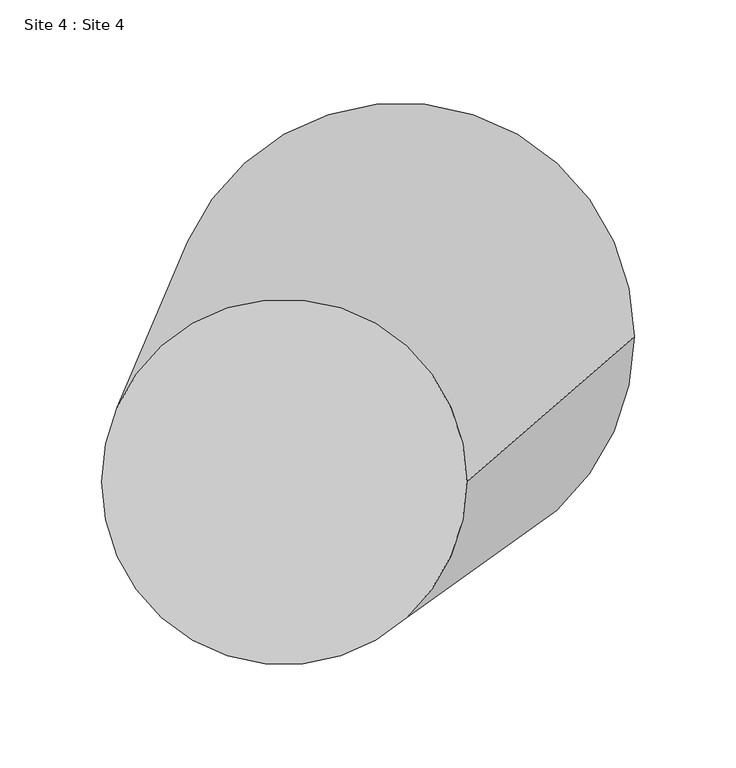
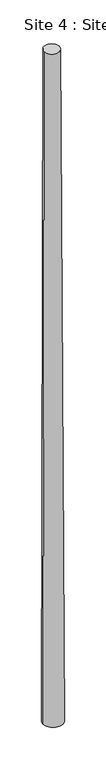
"""IFC4 building model written with IfcOpenShell, lengths in millimetres: geographic element geometry, Site 4 : Site 4."""

import ifcopenshell
import ifcopenshell.guid

model = None  # the IFC model being written
_history = None  # IfcOwnerHistory: only IFC2X3 demands one
_inside = {}  # id of a spatial element -> (the spatial element, [elements in it])
_under = {}  # id of a project, library or spatial element -> (it, [spatial elements below it])
_declared = {}  # id of a project -> (the project, [libraries it declares])
_typed = {}  # id of a type object -> (the type object, [elements of that type])
_made_of = {}  # id of a material, layer set ... -> (it, [elements and type objects made of it])


def new_model(schema):
    """Start an empty IFC model of exactly this schema.

    Asked for "IFC4X3", IfcOpenShell would pick the latest addendum, in which some entities
    have other attributes; the version numbers below select the first issue.
    IFC2X3 requires an IfcOwnerHistory on every rooted entity: one is made here for all.
    """
    global model, _history
    if schema == "IFC4X3":
        model = ifcopenshell.file(schema_version=(4, 3, 0, 0))
    else:
        model = ifcopenshell.file(schema=schema)
    _inside.clear()
    _under.clear()
    _declared.clear()
    _typed.clear()
    _made_of.clear()
    _history = None
    if model.schema == "IFC2X3":
        org = make("IfcOrganization", Name="unknown")
        user = make(
            "IfcPersonAndOrganization",
            ThePerson=make("IfcPerson", FamilyName="unknown"),
            TheOrganization=org,
        )
        app = make(
            "IfcApplication",
            ApplicationDeveloper=org,
            Version="unknown",
            ApplicationFullName="unknown",
            ApplicationIdentifier="unknown",
        )
        _history = make(
            "IfcOwnerHistory",
            OwningUser=user,
            OwningApplication=app,
            ChangeAction="ADDED",
            CreationDate=0,
        )
    return model


def make(cls, **values):
    """One entity of the class cls with the attributes given. An attribute that is None is left unset."""
    return model.create_entity(
        cls, **{name: value for name, value in values.items() if value is not None}
    )


def rooted(cls, **values):
    """An entity with a GlobalId (a new one), such as an element, a storey or a relation."""
    return make(cls, GlobalId=ifcopenshell.guid.new(), OwnerHistory=_history, **values)


def si_unit(unit_type, name, prefix=None):
    """IfcSIUnit, for example si_unit("LENGTHUNIT", "METRE", prefix="MILLI")."""
    return make("IfcSIUnit", UnitType=unit_type, Prefix=prefix, Name=name)


def assignment(units):
    """IfcUnitAssignment: the units of a project."""
    return None if units is None else make("IfcUnitAssignment", Units=units)


def point(xyz):
    """IfcCartesianPoint."""
    return None if xyz is None else make("IfcCartesianPoint", Coordinates=xyz)


def direction(xyz):
    """IfcDirection."""
    return None if xyz is None else make("IfcDirection", DirectionRatios=xyz)


def frame(location, z_axis=None, x_axis=None):
    """IfcAxis2Placement3D, a coordinate frame: its origin and axes. An axis left out is left unset."""
    return make(
        "IfcAxis2Placement3D",
        Location=point(location),
        Axis=direction(z_axis),
        RefDirection=direction(x_axis),
    )


def origin():
    """The frame at (0, 0, 0) with its axes left unset."""
    return frame((0.0, 0.0, 0.0))


def place(relative_to, where):
    """IfcLocalPlacement: puts the frame where relative to a parent placement (None: the world)."""
    return make(
        "IfcLocalPlacement", PlacementRelTo=relative_to, RelativePlacement=where
    )


def context(
    kind, dimensions, precision=None, world=None, true_north=None, identifier=None
):
    """IfcGeometricRepresentationContext, for example the 3D "Model" context."""
    return make(
        "IfcGeometricRepresentationContext",
        ContextIdentifier=identifier,
        ContextType=kind,
        CoordinateSpaceDimension=dimensions,
        Precision=precision,
        WorldCoordinateSystem=world,
        TrueNorth=true_north,
    )


def project(units=None, contexts=None):
    """IfcProject with its units and contexts."""
    return rooted(
        "IfcProject",
        Name="project",
        RepresentationContexts=contexts,
        UnitsInContext=assignment(units),
    )


def spatial(cls, under=None, at=None, **own):
    """A site, building, storey or space (cls), placed at a placement, below another one or the project."""
    s = rooted(cls, ObjectPlacement=at, **own)
    if under is not None:
        _under.setdefault(under.id(), (under, []))[1].append(s)
    return s


def circle_curve(where, radius):
    """IfcCircle in the frame where."""
    return make("IfcCircle", Position=where, Radius=radius)


def shape(context_of_items, identifier, shape_type, items):
    """IfcShapeRepresentation: the items that make up one representation, for example the "Body"."""
    return make(
        "IfcShapeRepresentation",
        ContextOfItems=context_of_items,
        RepresentationIdentifier=identifier,
        RepresentationType=shape_type,
        Items=items,
    )


def source(mapping_origin, context_of_items, identifier, shape_type, items):
    """IfcRepresentationMap: a shape defined once, which mapped items show again and again."""
    return make(
        "IfcRepresentationMap",
        MappingOrigin=mapping_origin,
        MappedRepresentation=shape(context_of_items, identifier, shape_type, items),
    )


def transform(
    local_origin,
    x_axis=None,
    y_axis=None,
    z_axis=None,
    scale=None,
    scale2=None,
    scale3=None,
    uniform=True,
):
    """IfcCartesianTransformationOperator3D, or its non-uniform kind. x_axis, y_axis, z_axis: its Axis1, 2, 3."""
    if uniform:
        return make(
            "IfcCartesianTransformationOperator3D",
            Axis1=direction(x_axis),
            Axis2=direction(y_axis),
            LocalOrigin=point(local_origin),
            Scale=scale,
            Axis3=direction(z_axis),
        )
    return make(
        "IfcCartesianTransformationOperator3DnonUniform",
        Axis1=direction(x_axis),
        Axis2=direction(y_axis),
        LocalOrigin=point(local_origin),
        Scale=scale,
        Axis3=direction(z_axis),
        Scale2=scale2,
        Scale3=scale3,
    )


def mapped(mapping_source, mapping_target):
    """IfcMappedItem: shows the shape of a source again, moved by a transform."""
    return make(
        "IfcMappedItem", MappingSource=mapping_source, MappingTarget=mapping_target
    )


def made_of(thing, what):
    """Note that an element or type object is made of a material, layer set ...; save() writes the relation."""
    if what is not None:
        _made_of.setdefault(what.id(), (what, []))[1].append(thing)
    return thing


def element(
    cls,
    number,
    at=None,
    inside=None,
    cuts=None,
    type_object=None,
    material=None,
    context=None,
    identifier="Body",
    shape_type=None,
    held_by="IfcProductDefinitionShape",
    body=None,
    shapes=None,
    **own,
):
    """One element of the class cls, such as IfcWall. Its Tag is "e" and its number.

    at: its placement. inside: the storey or other place that contains it. cuts: it is an
    opening in that element (IfcRelVoidsElement). A single representation is given by context,
    identifier, shape_type and body (its items); several are given by shapes. held_by: the class
    of the entity that holds the representations. save() writes the other relations.
    """
    e = rooted(cls, Tag="e%d" % number, ObjectPlacement=at, **own)
    if body is not None:
        shapes = [shape(context, identifier, shape_type, body)]
    if shapes is not None:
        e.Representation = make(held_by, Representations=shapes)
    if inside is not None:
        _inside.setdefault(inside.id(), (inside, []))[1].append(e)
    if cuts is not None:
        rooted(
            "IfcRelVoidsElement", RelatingBuildingElement=cuts, RelatedOpeningElement=e
        )
    if type_object is not None:
        _typed.setdefault(type_object.id(), (type_object, []))[1].append(e)
    return made_of(e, material)


def aggregate(whole, parts):
    """IfcRelAggregates: a whole, such as a stair, and the parts it consists of."""
    return rooted("IfcRelAggregates", RelatingObject=whole, RelatedObjects=parts)


def save(model, path):
    """Write the relations noted so far, then the file.

    IfcRelAggregates (storeys below a building ...), IfcRelContainedInSpatialStructure (elements
    in a storey), IfcRelDefinesByType, IfcRelAssociatesMaterial and IfcRelDeclares: one each for
    every whole, place, type object, material and project.
    """
    for whole, parts in _under.values():
        aggregate(whole, parts)
    for where, things in _inside.values():
        rooted(
            "IfcRelContainedInSpatialStructure",
            RelatedElements=things,
            RelatingStructure=where,
        )
    for kind, things in _typed.values():
        rooted("IfcRelDefinesByType", RelatedObjects=things, RelatingType=kind)
    for what, things in _made_of.values():
        rooted("IfcRelAssociatesMaterial", RelatedObjects=things, RelatingMaterial=what)
    for by, libraries in _declared.values():
        rooted("IfcRelDeclares", RelatingContext=by, RelatedDefinitions=libraries)
    model.write(path)


def plane_surface(at):
    """IfcPlane: the flat surface through the origin of the frame at, square to its z axis."""
    return make("IfcPlane", Position=at)


def spline_surface(u_degree, v_degree, points, u_multiplicities, v_multiplicities, u_knots, v_knots, weights=None):
    """IfcBSplineSurfaceWithKnots; with weights, IfcRationalBSplineSurfaceWithKnots. points: one row for each step in u."""
    own = dict(
        UDegree=u_degree,
        VDegree=v_degree,
        ControlPointsList=[[point(p) for p in row] for row in points],
        SurfaceForm="UNSPECIFIED",
        UClosed=False,
        VClosed=False,
        SelfIntersect=False,
        UMultiplicities=u_multiplicities,
        VMultiplicities=v_multiplicities,
        UKnots=u_knots,
        VKnots=v_knots,
        KnotSpec="UNSPECIFIED",
    )
    if weights is None:
        return make("IfcBSplineSurfaceWithKnots", **own)
    return make("IfcRationalBSplineSurfaceWithKnots", WeightsData=weights, **own)


def advanced_brep(points, edges, surfaces, faces):
    """IfcAdvancedBrep: a solid bounded by faces that lie on surfaces and meet in shared edges.

    An edge is (start, end): straight between two places in points (the first is 0);
    or (start, end, curve); or (start, end, curve, False) where it runs against its curve.
    A face is (place in surfaces, loops), or (place, loops, False) where it looks against
    its surface's normal. A loop lists edges by number (the first is 1), with a minus sign
    where the edge is run from its end to its start. The first loop is the outer one.
    """
    corners = [point(p) for p in points]
    vertices = [make("IfcVertexPoint", VertexGeometry=c) for c in corners]
    made = []
    for start, end, *more in edges:
        made.append(
            make(
                "IfcEdgeCurve",
                EdgeStart=vertices[start],
                EdgeEnd=vertices[end],
                EdgeGeometry=more[0] if more else make("IfcPolyline", Points=[corners[start], corners[end]]),
                SameSense=more[1] if len(more) > 1 else True,
            )
        )
    hull = []
    for where, loops, *sense in faces:
        bounds = []
        for j, loop in enumerate(loops):
            ring = [make("IfcOrientedEdge", EdgeElement=made[abs(k) - 1], Orientation=k > 0) for k in loop]
            bounds.append(
                make(
                    "IfcFaceOuterBound" if j == 0 else "IfcFaceBound",
                    Bound=make("IfcEdgeLoop", EdgeList=ring),
                    Orientation=True,
                )
            )
        hull.append(make("IfcAdvancedFace", Bounds=bounds, FaceSurface=surfaces[where], SameSense=sense[0] if sense else True))
    return make("IfcAdvancedBrep", Outer=make("IfcClosedShell", CfsFaces=hull))


def site_4_site_4_4ce63e9c(model_context):
    return source(origin(), model_context, "Body", "AdvancedBrep", [
        advanced_brep(
        [(-46253.4224673, 61787.417997, 115740.9466002), (-46073.4224673, 61787.417997, 115740.9466002), (-46220.9233294, 61860.2987581, 107389.4970278), (-45990.9233294, 61860.2987581, 107389.4970278)],
        [
            (0, 1, circle_curve(frame((-46163.4224673, 61787.417997, 115740.9466002), z_axis=(0.0, 0.0, 1.0), x_axis=(1.0, 0.0, 0.0)), 90.0)),
            (1, 0, circle_curve(frame((-46163.4224673, 61787.417997, 115740.9466002), z_axis=(0.0, 0.0, 1.0), x_axis=(1.0, 0.0, 0.0)), 90.0)),
            (2, 3, circle_curve(frame((-46105.9233294, 61860.2987581, 107389.4970278), z_axis=(0.0, 0.0, -1.0), x_axis=(1.0, 0.0, 0.0)), 115.0)),
            (3, 2, circle_curve(frame((-46105.9233294, 61860.2987581, 107389.4970278), z_axis=(0.0, 0.0, -1.0), x_axis=(1.0, 0.0, 0.0)), 115.0)),
            (3, 1),
            (0, 2),
        ],
        [
            plane_surface(frame((-46163.4224673, 61787.417997, 115740.9466002), z_axis=(0.0, 0.0, 1.0), x_axis=(0.0, -1.0, 0.0))),
            plane_surface(frame((-46105.9233294, 61860.2987581, 107389.4970278), z_axis=(0.0, 0.0, -1.0), x_axis=(0.0, -1.0, 0.0))),
            spline_surface(2, 1, [[(-46220.9233294, 61860.2987581, 107389.4970278), (-46253.4224673, 61787.417997, 115740.9466002)], [(-46220.9233294, 61745.2987581, 107389.4970278), (-46253.4224673, 61697.417997, 115740.9466002)], [(-46105.9233294, 61745.2987581, 107389.4970278), (-46163.4224673, 61697.417997, 115740.9466002)], [(-45990.9233294, 61745.2987581, 107389.4970278), (-46073.4224673, 61697.417997, 115740.9466002)], [(-45990.9233294, 61860.2987581, 107389.4970278), (-46073.4224673, 61787.417997, 115740.9466002)]], [3, 2, 3], [2, 2], [0.0, 1.0, 2.0], [0.0, 1.0], weights=[[1.0, 1.0], [0.7071067811865476, 0.7071067811865476], [1.0, 1.0], [0.7071067811865476, 0.7071067811865476], [1.0, 1.0]]),
            spline_surface(2, 1, [[(-45990.9233294, 61860.2987581, 107389.4970278), (-46073.4224673, 61787.417997, 115740.9466002)], [(-45990.9233294, 61975.2987581, 107389.4970278), (-46073.4224673, 61877.417997, 115740.9466002)], [(-46105.9233294, 61975.2987581, 107389.4970278), (-46163.4224673, 61877.417997, 115740.9466002)], [(-46220.9233294, 61975.2987581, 107389.4970278), (-46253.4224673, 61877.417997, 115740.9466002)], [(-46220.9233294, 61860.2987581, 107389.4970278), (-46253.4224673, 61787.417997, 115740.9466002)]], [3, 2, 3], [2, 2], [0.0, 1.0, 2.0], [0.0, 1.0], weights=[[1.0, 1.0], [0.7071067811865476, 0.7071067811865476], [1.0, 1.0], [0.7071067811865476, 0.7071067811865476], [1.0, 1.0]]),
        ],
        [
            (0, [[1, 2]]),
            (1, [[3, 4]]),
            (2, [[-4, 5, -1, 6]]),
            (3, [[-3, -6, -2, -5]]),
        ],
    ),
    ])


if __name__ == "__main__":
    model = new_model("IFC4")
    model_context = context("Model", 3, world=origin())
    ifc_project = project(units=[si_unit("LENGTHUNIT", "METRE", prefix="MILLI")], contexts=[model_context])
    site = spatial("IfcSite", under=ifc_project)
    building = spatial("IfcBuilding", under=site)
    placement = place(None, origin())
    site_4_site_4_shape = site_4_site_4_4ce63e9c(model_context)
    element("IfcGeographicElement", 1, ObjectType="Site 4 : Site 4", at=placement, inside=building, context=model_context, shape_type="MappedRepresentation", body=[
        mapped(site_4_site_4_shape, transform((0.0, 0.0, 0.0), x_axis=(1.0, 0.0, 0.0), y_axis=(0.0, 1.0, 0.0), z_axis=(0.0, 0.0, 1.0))),
    ])
    save(model, "model.ifc")
